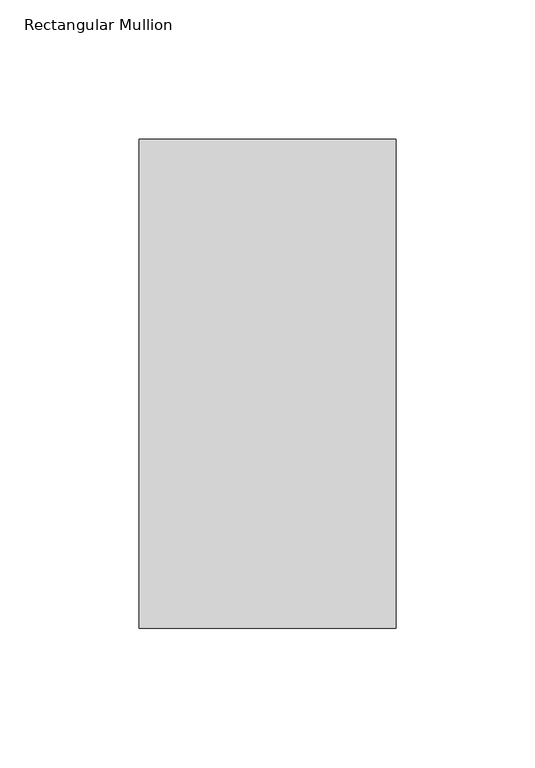
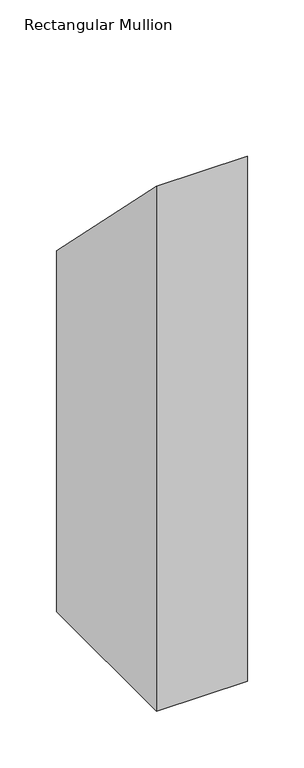
"""IFC4 building model written with IfcOpenShell, lengths in millimetres: member geometry, Rectangular Mullion."""

from ifc_helpers import new_model, si_unit, frame, origin, place, context, project, spatial, polyline, outline, extrude, source, transform, mapped, element, save


def rectangular_mullion_daf9f41f(model_context):
    return source(origin(), model_context, "Body", "SweptSolid", [
        extrude(outline(polyline([(46.7447302, -46.7447302), (222.1571312, -222.1571312), (222.1571312, -609.6), (46.7447302, -609.6), (46.7447302, -46.7447302)])), frame((-92.0876999, 0.0, 0.0), z_axis=(1.0, 0.0, 0.0), x_axis=(0.0, 1.0, 0.0)), (0.0, 0.0, 1.0), 92.0876999),
    ])


if __name__ == "__main__":
    model = new_model("IFC4")
    model_context = context("Model", 3, world=origin())
    ifc_project = project(units=[si_unit("LENGTHUNIT", "METRE", prefix="MILLI")], contexts=[model_context])
    site = spatial("IfcSite", under=ifc_project)
    building = spatial("IfcBuilding", under=site)
    placement = place(None, origin())
    rectangular_mullion_shape = rectangular_mullion_daf9f41f(model_context)
    element("IfcMember", 1, ObjectType="Rectangular Mullion", at=placement, inside=building, context=model_context, shape_type="MappedRepresentation", body=[
        mapped(rectangular_mullion_shape, transform((0.0, 0.0, 0.0), x_axis=(1.0, 0.0, 0.0), y_axis=(0.0, 1.0, 0.0), z_axis=(0.0, 0.0, 1.0))),
    ])
    save(model, "model.ifc")
